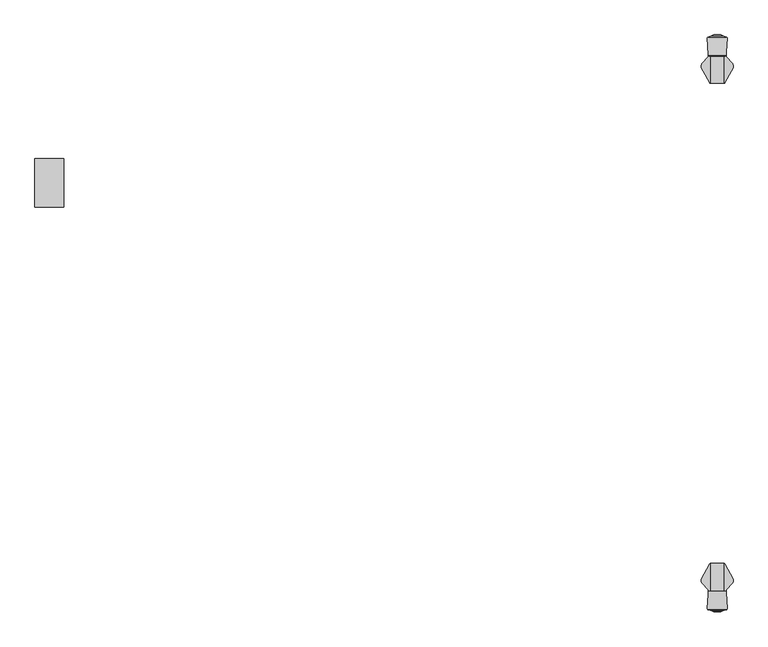
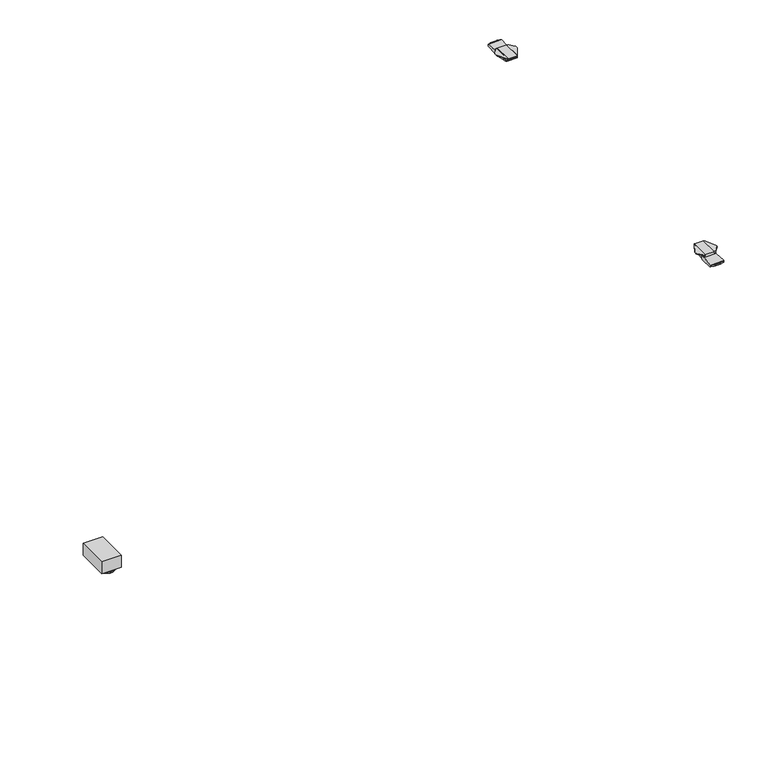
"""IFC4 building model written with IfcOpenShell, lengths in millimetres: furniture geometry."""

from ifc_helpers import new_model, si_unit, frame, origin, place, context, project, spatial, polyline, circle_curve, ellipse_curve, outline, extrude, faceted_brep, source, transform, mapped, element, save
from ifc_brep_helpers import plane_surface, cylinder_surface, revolved_surface, advanced_brep


def furniture_eabc772a(model_context):
    return source(origin(), model_context, "Body", "SolidModel", [
        advanced_brep(
        [(694.2716303, 895.5866978, 1037.209), (694.2716303, 895.5866978, 1029.9601819), (695.39314, 895.5866978, 1029.8867914), (695.39314, 895.5866978, 1037.209), (698.5769907, 951.0598352, 1033.5228106), (698.4269327, 951.0598352, 1031.2297138), (698.0475602, 951.0598352, 1029.7130886), (694.2716303, 951.0598352, 1029.9601819), (694.2716303, 951.0598352, 1037.209), (698.9474919, 951.0598352, 1037.209), (698.9474919, 951.0598352, 1033.8693631), (712.6491023, 927.1377656, 1037.209), (712.6491023, 932.3231849, 1037.209), (710.7410121, 935.9117807, 1037.209), (698.9474919, 949.1101381, 1037.209), (712.3709943, 926.6292686, 1036.2591307), (712.3709943, 933.2370102, 1036.2591307), (711.780042, 925.5487623, 1035.4654291), (711.780042, 934.4944593, 1035.4654291), (710.9026246, 923.9444789, 1034.9271625), (710.9026246, 935.7295944, 1034.9271625), (708.069876, 918.7650376, 1034.7095886), (708.069876, 938.9011009, 1034.7095886), (710.7410121, 935.9117807, 1034.9147496), (699.84516, 903.72684, 1034.7090072), (699.84516, 948.1055403, 1034.7090072), (698.5769907, 901.4080996, 1033.5228106), (698.9474919, 949.1101381, 1033.8693631), (698.4269327, 901.1337312, 1031.2297138), (698.0475602, 900.4400807, 1029.7130886)],
        [
            (0, 1),
            (1, 2),
            (2, 3),
            (3, 0),
            (4, 5),
            (5, 6),
            (6, 7),
            (7, 8),
            (8, 9),
            (9, 10),
            (10, 4),
            (8, 0),
            (3, 11),
            (11, 12),
            (12, 13, circle_curve(frame((704.7223863, 930.4100479, 1037.209), z_axis=(0.0, 0.0, 1.0), x_axis=(-1.0000000000000004, 0.0, 0.0)), 8.1543192)),
            (13, 14),
            (14, 9),
            (11, 15),
            (15, 16),
            (16, 12, ellipse_curve(frame((704.7223863, 930.4100479, 1010.1355466), z_axis=(0.9597108497777287, 0.0, -0.28098947456961787), x_axis=(-0.28098947456961787, 0.0, -0.9597108497777287)), 29.0200165, 8.1543192)),
            (15, 17),
            (17, 18),
            (18, 16, ellipse_curve(frame((704.7223863, 930.4100479, 1025.9863691), z_axis=(0.8020925083963487, 0.0, -0.5971998057387943), x_axis=(-0.5971998057387944, 0.0, -0.8020925083963485)), 13.6542563, 8.1543192)),
            (17, 19),
            (19, 20),
            (20, 18, ellipse_curve(frame((704.7223863, 930.4100479, 1031.1357905), z_axis=(0.5229113139159308, 0.0, -0.8523870938597763), x_axis=(-0.8523870938597765, 0.0, -0.5229113139159306)), 9.5664508, 8.1543192)),
            (19, 21),
            (21, 22),
            (22, 23),
            (23, 20, ellipse_curve(frame((704.7223863, 930.4100479, 1034.4524791), z_axis=(0.07658109560408619, 0.0, -0.9970633559589269), x_axis=(-0.9970633559589269, 0.0, -0.07658109560408602)), 8.178336, 8.1543192)),
            (21, 24),
            (24, 25),
            (25, 22),
            (26, 4),
            (10, 27),
            (27, 25),
            (24, 26),
            (26, 28),
            (28, 5),
            (28, 29),
            (29, 6),
            (29, 2),
            (1, 7),
            (27, 14),
            (13, 23),
        ],
        [
            plane_surface(frame((694.2716303, 895.5866978, 1029.7916475), z_axis=(0.0, -1.0, 0.0), x_axis=(0.0, 0.0, -1.0))),
            plane_surface(frame((694.2716303, 951.0598352, 1029.7916475), z_axis=(0.0, 1.0, 0.0), x_axis=(0.0, 0.0, 1.0))),
            plane_surface(frame((712.6491023, 895.5866978, 1037.209), z_axis=(0.0, 0.0, 1.0), x_axis=(0.0, 1.0, 0.0))),
            plane_surface(frame((712.3709943, 895.5866978, 1036.2591307), z_axis=(0.9597108497777287, 0.0, -0.28098947456961787), x_axis=(0.0, 1.0, 0.0))),
            plane_surface(frame((711.780042, 895.5866978, 1035.4654291), z_axis=(0.8020925083963485, 0.0, -0.5971998057387942), x_axis=(0.0, 1.0, 0.0))),
            plane_surface(frame((710.9026246, 895.5866978, 1034.9271625), z_axis=(0.5229113139159308, 0.0, -0.8523870938597763), x_axis=(0.0, 1.0, 0.0))),
            plane_surface(frame((708.069876, 895.5866978, 1034.7095886), z_axis=(0.07658109560408619, 0.0, -0.9970633559589269), x_axis=(0.0, 1.0, 0.0))),
            plane_surface(frame((699.84516, 895.5866978, 1034.7090072), z_axis=(7.068449081192282e-05, 0.0, -0.9999999975018514), x_axis=(0.0, 1.0, 0.0))),
            plane_surface(frame((698.5769907, 895.5866978, 1033.5228106), z_axis=(0.6831094450823832, 0.0, -0.7303160179259652), x_axis=(0.0, 1.0, 0.0))),
            plane_surface(frame((698.4269327, 895.5866978, 1031.2297138), z_axis=(0.9978657180161974, 0.0, -0.06529937831265216), x_axis=(0.0, 1.0, 0.0))),
            plane_surface(frame((698.0475602, 895.5866978, 1029.7130886), z_axis=(0.9701099565798296, 0.0, -0.24266576220118338), x_axis=(0.0, 1.0, 0.0))),
            plane_surface(frame((694.2716303, 895.5866978, 1029.9601819), z_axis=(-0.0652993783126831, 0.0, -0.9978657180161954), x_axis=(0.0, 1.0, 0.0))),
            plane_surface(frame((694.2716303, 895.5866978, 1037.209), z_axis=(-1.0, 0.0, 0.0), x_axis=(0.0, 1.0, 0.0))),
            plane_surface(frame((713.0084451, 927.7947936, 1067.1304045), z_axis=(0.8773539056662267, -0.4798438539902514, 0.0), x_axis=(0.0, 0.0, -1.0))),
            plane_surface(frame((698.9474919, 949.1101381, 1044.0028547), z_axis=(0.7456773398656481, 0.666307215037396, 0.0), x_axis=(0.0, 0.0, -1.0))),
            plane_surface(frame((698.9474919, 952.2864644, 1044.0028547), z_axis=(1.0, 0.0, 0.0), x_axis=(0.0, 0.0, -1.0))),
            cylinder_surface(frame((704.7223863, 930.4100479, 344.6554878), z_axis=(0.0, 0.0, -1.0), x_axis=(-1.0000000000000004, 0.0, 0.0)), 8.1543192),
        ],
        [
            (0, [[1, 2, 3, 4]]),
            (1, [[5, 6, 7, 8, 9, 10, 11]]),
            (2, [[12, -4, 13, 14, 15, 16, 17, -9]]),
            (3, [[18, 19, 20, -14]]),
            (4, [[21, 22, 23, -19]]),
            (5, [[24, 25, 26, -22]]),
            (6, [[27, 28, 29, 30, -25]]),
            (7, [[31, 32, 33, -28]]),
            (8, [[34, -11, 35, 36, -32, 37]]),
            (9, [[-5, -34, 38, 39]]),
            (10, [[-6, -39, 40, 41]]),
            (11, [[-7, -41, 42, -2, 43]]),
            (12, [[-1, -12, -8, -43]]),
            (13, [[-3, -42, -40, -38, -37, -31, -27, -24, -21, -18, -13]]),
            (14, [[44, -16, 45, -29, -33, -36]]),
            (15, [[-44, -35, -10, -17]]),
            (16, [[-15, -20, -23, -26, -30, -45]]),
        ],
    ),
        advanced_brep(
        [(665.6951697, 895.5866978, 1029.9601819), (665.6951697, 895.5866978, 1037.209), (664.57366, 895.5866978, 1037.209), (664.57366, 895.5866978, 1029.8867914), (665.6951697, 951.0598352, 1037.209), (665.6951697, 951.0598352, 1029.9601819), (661.9192398, 951.0598352, 1029.7130886), (661.5398673, 951.0598352, 1031.2297138), (661.3898093, 951.0598352, 1033.5228106), (661.0193081, 951.0598352, 1033.8693631), (661.0193081, 951.0598352, 1037.209), (661.0193081, 949.1101381, 1037.209), (649.2257879, 935.9117807, 1037.209), (647.3176977, 932.3231849, 1037.209), (647.3176977, 927.1377656, 1037.209), (647.5958057, 926.6292686, 1036.2591307), (647.5958057, 933.2370102, 1036.2591307), (648.186758, 925.5487623, 1035.4654291), (648.186758, 934.4944593, 1035.4654291), (649.0641754, 923.9444789, 1034.9271625), (649.0641754, 935.7295944, 1034.9271625), (651.896924, 918.7650376, 1034.7095886), (649.2257879, 935.9117807, 1034.9147496), (651.896924, 938.9011009, 1034.7095886), (660.12164, 903.72684, 1034.7090072), (660.12164, 948.1055403, 1034.7090072), (661.3898093, 901.4080996, 1033.5228106), (661.0193081, 949.1101381, 1033.8693631), (661.5398673, 901.1337312, 1031.2297138), (661.9192398, 900.4400807, 1029.7130886)],
        [
            (0, 1),
            (1, 2),
            (2, 3),
            (3, 0),
            (4, 5),
            (5, 6),
            (6, 7),
            (7, 8),
            (8, 9),
            (9, 10),
            (10, 4),
            (1, 4),
            (10, 11),
            (11, 12),
            (12, 13, circle_curve(frame((655.2444137, 930.4100479, 1037.209), z_axis=(0.0, 0.0, 1.0), x_axis=(1.0000000000000004, 0.0, 0.0)), 8.1543192)),
            (13, 14),
            (14, 2),
            (15, 14),
            (13, 16, ellipse_curve(frame((655.2444137, 930.4100479, 1010.1355466), z_axis=(-0.9597108497777287, 0.0, -0.28098947456961787), x_axis=(0.28098947456961787, 0.0, -0.9597108497777287)), 29.0200165, 8.1543192)),
            (16, 15),
            (17, 15),
            (16, 18, ellipse_curve(frame((655.2444137, 930.4100479, 1025.9863691), z_axis=(-0.8020925083963487, 0.0, -0.5971998057387943), x_axis=(0.5971998057387944, 0.0, -0.8020925083963485)), 13.6542563, 8.1543192)),
            (18, 17),
            (19, 17),
            (18, 20, ellipse_curve(frame((655.2444137, 930.4100479, 1031.1357905), z_axis=(-0.5229113139159308, 0.0, -0.8523870938597763), x_axis=(0.8523870938597765, 0.0, -0.5229113139159306)), 9.5664508, 8.1543192)),
            (20, 19),
            (21, 19),
            (20, 22, ellipse_curve(frame((655.2444137, 930.4100479, 1034.4524791), z_axis=(-0.07658109560408913, 0.0, -0.9970633559589267), x_axis=(0.9970633559589267, 0.0, -0.07658109560408889)), 8.178336, 8.1543192)),
            (22, 23),
            (23, 21),
            (24, 21),
            (23, 25),
            (25, 24),
            (8, 26),
            (26, 24),
            (25, 27),
            (27, 9),
            (7, 28),
            (28, 26),
            (6, 29),
            (29, 28),
            (5, 0),
            (3, 29),
            (11, 27),
            (22, 12),
        ],
        [
            plane_surface(frame((663.6596355, 895.5866978, 1037.209), z_axis=(0.0, -1.0, 0.0), x_axis=(-1.0, 0.0, 0.0))),
            plane_surface(frame((663.6596355, 951.0598352, 1037.209), z_axis=(0.0, 1.0, 0.0), x_axis=(1.0, 0.0, 0.0))),
            plane_surface(frame((665.6951697, 895.5866978, 1037.209), z_axis=(0.0, 0.0, 1.0), x_axis=(0.0, 1.0, 0.0))),
            plane_surface(frame((647.3176977, 895.5866978, 1037.209), z_axis=(-0.9597108497777287, 0.0, -0.28098947456961787), x_axis=(0.0, 1.0, 0.0))),
            plane_surface(frame((647.5958057, 895.5866978, 1036.2591307), z_axis=(-0.8020925083963485, 0.0, -0.5971998057387942), x_axis=(0.0, 1.0, 0.0))),
            plane_surface(frame((648.186758, 895.5866978, 1035.4654291), z_axis=(-0.5229113139159308, 0.0, -0.8523870938597763), x_axis=(0.0, 1.0, 0.0))),
            plane_surface(frame((649.0641754, 895.5866978, 1034.9271625), z_axis=(-0.07658109560408913, 0.0, -0.9970633559589267), x_axis=(0.0, 1.0, 0.0))),
            plane_surface(frame((651.896924, 895.5866978, 1034.7095886), z_axis=(-7.068449081192188e-05, 0.0, -0.9999999975018514), x_axis=(0.0, 1.0, 0.0))),
            plane_surface(frame((660.12164, 895.5866978, 1034.7090072), z_axis=(-0.683109445082383, 0.0, -0.7303160179259655), x_axis=(0.0, 1.0, 0.0))),
            plane_surface(frame((661.3898093, 895.5866978, 1033.5228106), z_axis=(-0.9978657180161974, 0.0, -0.06529937831265216), x_axis=(0.0, 1.0, 0.0))),
            plane_surface(frame((661.5398673, 895.5866978, 1031.2297138), z_axis=(-0.9701099565798296, 0.0, -0.24266576220118338), x_axis=(0.0, 1.0, 0.0))),
            plane_surface(frame((661.9192398, 895.5866978, 1029.7130886), z_axis=(0.06529937831268308, 0.0, -0.9978657180161954), x_axis=(0.0, 1.0, 0.0))),
            plane_surface(frame((665.6951697, 895.5866978, 1029.9601819), z_axis=(1.0, 0.0, 0.0), x_axis=(0.0, 1.0, 0.0))),
            plane_surface(frame((664.57366, 895.5866978, 1067.1304045), z_axis=(-0.8773539056662298, -0.47984385399024576, 0.0), x_axis=(0.0, 0.0, -1.0))),
            plane_surface(frame((649.2257879, 935.9117807, 1044.0028547), z_axis=(-0.7456773398656439, 0.6663072150374009, 0.0), x_axis=(0.0, 0.0, -1.0))),
            plane_surface(frame((661.0193081, 949.1101381, 1044.0028547), z_axis=(-1.0, 0.0, 0.0), x_axis=(0.0, 0.0, -1.0))),
            cylinder_surface(frame((655.2444137, 930.4100479, 344.6554878), z_axis=(0.0, 0.0, -1.0), x_axis=(1.0000000000000004, 0.0, 0.0)), 8.1543192),
        ],
        [
            (0, [[1, 2, 3, 4]]),
            (1, [[5, 6, 7, 8, 9, 10, 11]]),
            (2, [[12, -11, 13, 14, 15, 16, 17, -2]]),
            (3, [[18, -16, 19, 20]]),
            (4, [[21, -20, 22, 23]]),
            (5, [[24, -23, 25, 26]]),
            (6, [[27, -26, 28, 29, 30]]),
            (7, [[31, -30, 32, 33]]),
            (8, [[34, 35, -33, 36, 37, -9]]),
            (9, [[-8, 38, 39, -34]]),
            (10, [[-7, 40, 41, -38]]),
            (11, [[-6, 42, -4, 43, -40]]),
            (12, [[-1, -42, -5, -12]]),
            (13, [[-3, -17, -18, -21, -24, -27, -31, -35, -39, -41, -43]]),
            (14, [[44, -36, -32, -29, 45, -14]]),
            (15, [[-44, -13, -10, -37]]),
            (16, [[-15, -45, -28, -25, -22, -19]]),
        ],
    ),
        advanced_brep(
        [(696.4730548, 932.0459186, 1017.7130243), (696.4730548, 935.9201371, 1016.9270984), (696.4730548, 938.0493676, 1016.6538593), (696.4730548, 940.0206499, 1016.5113535), (696.4730548, 942.0531203, 1016.5263235), (696.4730548, 944.093003, 1016.7748548), (696.4730548, 951.7566704, 1029.7916475), (696.4730548, 950.9081394, 1037.209), (696.4730548, 915.1454668, 1037.209), (696.4730548, 915.1454668, 1021.7486428), (663.6596355, 950.9081394, 1037.209), (663.6596355, 951.7566704, 1029.7916475), (663.6596355, 944.093003, 1016.7748548), (663.6596355, 942.0531203, 1016.5263235), (663.6596355, 940.0206499, 1016.5113535), (663.6596355, 938.0493676, 1016.6538593), (663.6596355, 935.9201371, 1016.9270984), (663.6596355, 932.0459186, 1017.7130243), (663.6596355, 916.2494731, 1021.4850198), (663.6596355, 916.2494731, 1037.209), (664.5984869, 895.8807697, 1037.209), (666.2854026, 894.5538757, 1037.209), (693.8981745, 894.5538757, 1037.209), (695.5850902, 895.8807697, 1037.209), (665.4172874, 894.7871827, 1033.8727211), (694.7662898, 894.7871827, 1033.8727211), (665.0756904, 895.0456335, 1032.277615), (695.1078867, 895.0456335, 1032.277615), (664.7245261, 895.5310326, 1030.7540161), (695.459051, 895.5310326, 1030.7540161), (664.5984869, 895.8807697, 1030.0612029), (664.5818954, 896.2407277, 1029.3481426), (695.6016817, 896.2407277, 1029.3481426), (695.5850902, 895.8807697, 1030.0612029), (664.5401196, 897.1470677, 1028.0897165), (695.6434575, 897.1470677, 1028.0897165), (664.4880925, 898.2758142, 1026.9530853), (695.6954846, 898.2758142, 1026.9530853), (664.363775, 900.9729243, 1025.2864719), (695.8198021, 900.9729243, 1025.2864719), (664.2931427, 902.5053162, 1024.7669542), (695.8904344, 902.5053162, 1024.7669542)],
        [
            (0, 1),
            (1, 2),
            (2, 3),
            (3, 4),
            (4, 5),
            (5, 6),
            (6, 7),
            (7, 8),
            (8, 9),
            (9, 0),
            (10, 11),
            (11, 12),
            (12, 13),
            (13, 14),
            (14, 15),
            (15, 16),
            (16, 17),
            (17, 18),
            (18, 19),
            (19, 10),
            (7, 10),
            (19, 20),
            (20, 21, circle_curve(frame((666.2870408, 896.2917158, 1037.209), z_axis=(0.0, 0.0, 1.0), x_axis=(1.0000000000000004, 0.0, 0.0)), 1.7378408)),
            (21, 22),
            (22, 23, circle_curve(frame((693.8965364, 896.2917158, 1037.209), z_axis=(0.0, 0.0, 1.0), x_axis=(-1.0000000000000004, 0.0, 0.0)), 1.7378408)),
            (23, 8),
            (21, 24, ellipse_curve(frame((666.2870408, 896.2917158, 1012.3579681), z_axis=(0.0, -0.997563808233696, -0.06975993479273002), x_axis=(0.0, 0.06975993479273002, -0.997563808233696)), 24.9117327, 1.7378408)),
            (24, 25),
            (25, 22, ellipse_curve(frame((693.8965364, 896.2917158, 1012.3579681), z_axis=(0.0, -0.997563808233696, -0.06975993479273002), x_axis=(0.0, 0.06975993479273002, -0.997563808233696)), 24.9117327, 1.7378408)),
            (24, 26, ellipse_curve(frame((666.2870408, 896.2917158, 1024.5870466), z_axis=(0.0, -0.9871264986508672, -0.15994147573809486), x_axis=(0.0, 0.15994147573809486, -0.9871264986508672)), 10.8654796, 1.7378408)),
            (26, 27),
            (27, 25, ellipse_curve(frame((693.8965364, 896.2917158, 1024.5870466), z_axis=(0.0, -0.9871264986508672, -0.15994147573809486), x_axis=(0.0, 0.15994147573809486, -0.9871264986508672)), 10.8654796, 1.7378408)),
            (26, 28, ellipse_curve(frame((666.2870408, 896.2917158, 1028.3663399), z_axis=(0.0, -0.9528141049574114, -0.3035544125757477), x_axis=(0.0, 0.3035544125757477, -0.9528141049574111)), 5.7249731, 1.7378408)),
            (28, 29),
            (29, 27, ellipse_curve(frame((693.8965364, 896.2917158, 1028.3663399), z_axis=(0.0, -0.9528141049574114, -0.3035544125757477), x_axis=(0.0, 0.3035544125757477, -0.9528141049574111)), 5.7249731, 1.7378408)),
            (30, 31),
            (31, 32),
            (32, 33),
            (33, 29, ellipse_curve(frame((693.8965364, 896.2917158, 1029.2471375), z_axis=(0.0, -0.8927040411549354, -0.45064342323576334), x_axis=(0.0, 0.45064342323576334, -0.8927040411549354)), 3.8563546, 1.7378408)),
            (28, 30, ellipse_curve(frame((666.2870408, 896.2917158, 1029.2471375), z_axis=(0.0, -0.8927040411549354, -0.45064342323576334), x_axis=(0.0, 0.45064342323576334, -0.8927040411549354)), 3.8563546, 1.7378408)),
            (31, 34),
            (34, 35),
            (35, 32),
            (34, 36),
            (36, 37),
            (37, 35),
            (36, 38),
            (38, 39),
            (39, 37),
            (38, 40),
            (40, 41),
            (41, 39),
            (17, 0),
            (9, 41),
            (40, 18),
            (16, 1),
            (15, 2),
            (14, 3),
            (13, 4),
            (12, 5),
            (11, 6),
            (30, 20),
            (23, 33),
        ],
        [
            plane_surface(frame((696.4730548, 936.3711996, 1037.209), z_axis=(1.0, 0.0, 0.0), x_axis=(0.0, -1.0, 0.0))),
            plane_surface(frame((663.6596355, 936.3711996, 1037.209), z_axis=(-1.0, 0.0, 0.0), x_axis=(0.0, 1.0, 0.0))),
            plane_surface(frame((696.4730548, 950.9081394, 1037.209), z_axis=(0.0, 0.0, 1.0), x_axis=(-1.0, 0.0, 0.0))),
            plane_surface(frame((696.4730548, 894.5538757, 1037.209), z_axis=(0.0, -0.997563808233696, -0.06975993479273002), x_axis=(-1.0, 0.0, 0.0))),
            plane_surface(frame((696.4730548, 894.7871827, 1033.8727211), z_axis=(0.0, -0.9871264986508672, -0.15994147573809486), x_axis=(-1.0, 0.0, 0.0))),
            plane_surface(frame((696.4730548, 895.0456335, 1032.277615), z_axis=(0.0, -0.9528141049574114, -0.3035544125757477), x_axis=(-1.0, 0.0, 0.0))),
            plane_surface(frame((696.4730548, 895.5310326, 1030.7540161), z_axis=(0.0, -0.8927040411549354, -0.45064342323576334), x_axis=(-1.0, 0.0, 0.0))),
            plane_surface(frame((696.4730548, 896.2407277, 1029.3481426), z_axis=(0.0, -0.8114507875380343, -0.5844207554526992), x_axis=(-1.0, 0.0, 0.0))),
            plane_surface(frame((696.4730548, 897.1470677, 1028.0897165), z_axis=(0.0, -0.7095635828811538, -0.704641413662907), x_axis=(-1.0, 0.0, 0.0))),
            plane_surface(frame((696.4730548, 898.2758142, 1026.9530853), z_axis=(0.0, -0.5256643953018257, -0.8506920379972802), x_axis=(-1.0, 0.0, 0.0))),
            plane_surface(frame((696.4730548, 900.9729243, 1025.2864719), z_axis=(0.0, -0.32107410172322687, -0.9470540751206464), x_axis=(-1.0, 0.0, 0.0))),
            plane_surface(frame((696.4730548, 902.5053162, 1024.7669542), z_axis=(0.0, -0.23225778917580214, -0.9726542650742702), x_axis=(-1.0, 0.0, 0.0))),
            plane_surface(frame((696.4730548, 932.0459186, 1017.7130243), z_axis=(0.0, -0.1988109622365402, -0.9800378570721546), x_axis=(-1.0, 0.0, 0.0))),
            plane_surface(frame((696.4730548, 935.9201371, 1016.9270984), z_axis=(0.0, -0.12728387031952282, -0.9918663298834591), x_axis=(-1.0, 0.0, 0.0))),
            plane_surface(frame((696.4730548, 938.0493676, 1016.6538593), z_axis=(0.0, -0.07210277493300893, -0.997397207659496), x_axis=(-1.0, 0.0, 0.0))),
            plane_surface(frame((696.4730548, 940.0206499, 1016.5113535), z_axis=(0.0, 0.007365229187275849, -0.9999728763316628), x_axis=(-1.0, 0.0, 0.0))),
            plane_surface(frame((696.4730548, 942.0531203, 1016.5263235), z_axis=(0.0, 0.12094176610084176, -0.992659603898743), x_axis=(-1.0, 0.0, 0.0))),
            plane_surface(frame((696.4730548, 944.093003, 1016.7748548), z_axis=(0.0, 0.8617394273144984, -0.5073511204399574), x_axis=(-1.0, 0.0, 0.0))),
            plane_surface(frame((696.4730548, 951.7566704, 1029.7916475), z_axis=(0.0, 0.9935200698495489, 0.11365681152551964), x_axis=(-1.0, 0.0, 0.0))),
            plane_surface(frame((664.5984869, 895.8807697, 1050.6978518), z_axis=(-0.9989394147117107, -0.04604395438518504, 0.0), x_axis=(0.0, 0.0, -1.0))),
            cylinder_surface(frame((666.2870408, 896.2917158, 1007.8853687), z_axis=(0.0, 0.0, -1.0), x_axis=(1.0000000000000004, 0.0, 0.0)), 1.7378408),
            plane_surface(frame((698.2643373, 954.007956, 1050.6978518), z_axis=(0.9989394147117103, -0.04604395438519144, 0.0), x_axis=(0.0, 0.0, -1.0))),
            cylinder_surface(frame((693.8965364, 896.2917158, 1007.8853687), z_axis=(0.0, 0.0, -1.0), x_axis=(-1.0000000000000004, 0.0, 0.0)), 1.7378408),
        ],
        [
            (0, [[1, 2, 3, 4, 5, 6, 7, 8, 9, 10]]),
            (1, [[11, 12, 13, 14, 15, 16, 17, 18, 19, 20]]),
            (2, [[21, -20, 22, 23, 24, 25, 26, -8]]),
            (3, [[27, 28, 29, -24]]),
            (4, [[30, 31, 32, -28]]),
            (5, [[33, 34, 35, -31]]),
            (6, [[36, 37, 38, 39, -34, 40]]),
            (7, [[41, 42, 43, -37]]),
            (8, [[44, 45, 46, -42]]),
            (9, [[47, 48, 49, -45]]),
            (10, [[50, 51, 52, -48]]),
            (11, [[53, -10, 54, -51, 55, -18]]),
            (12, [[-1, -53, -17, 56]]),
            (13, [[-2, -56, -16, 57]]),
            (14, [[-3, -57, -15, 58]]),
            (15, [[-4, -58, -14, 59]]),
            (16, [[-5, -59, -13, 60]]),
            (17, [[-6, -60, -12, 61]]),
            (18, [[-7, -61, -11, -21]]),
            (19, [[62, -22, -19, -55, -50, -47, -44, -41, -36]]),
            (20, [[-62, -40, -33, -30, -27, -23]]),
            (21, [[63, -38, -43, -46, -49, -52, -54, -9, -26]]),
            (22, [[-63, -25, -29, -32, -35, -39]]),
        ],
    ),
        faceted_brep([(697.702853, 940.8517947, 1029.223888), (697.8991853, 943.7883029, 1030.0697046), (662.3902926, 943.7883029, 1030.0697046), (662.5256446, 940.8517947, 1029.223888), (697.5582268, 938.6886454, 1027.3301699), (662.6253503, 938.6886454, 1027.3301699), (697.4902276, 937.6715927, 1025.0631571), (662.6722292, 937.6715927, 1025.0631571), (697.4754232, 937.4501672, 1023.7281368), (662.6824353, 937.4501672, 1023.7281368), (697.4786858, 937.4989651, 1022.446311), (662.6801861, 937.4989651, 1022.446311), (697.4941461, 937.730201, 1021.1650665), (662.6695278, 937.730201, 1021.1650665), (697.5554161, 938.6466058, 1019.326952), (662.6272881, 938.6466058, 1019.326952), (697.6721014, 940.3918481, 1017.6682596), (662.5468449, 940.3918481, 1017.6682596), (697.8503142, 943.0573468, 1016.6432495), (662.4239845, 943.0573468, 1016.6432495), (697.942014, 944.4288837, 1016.5717422), (662.3607664, 944.4288837, 1016.5717422), (700.8574178, 988.0340709, 1023.2389952), (661.9192398, 954.007956, 1018.0363867), (661.3843378, 954.007956, 1018.0363867), (659.1093822, 988.0340709, 1023.2389952), (700.9007984, 988.6829078, 1023.3389153), (659.0660016, 988.6829078, 1023.3389153), (660.488696, 989.7505722, 1023.5033343), (663.8829944, 990.9998783, 1023.695726), (696.0838056, 990.9998783, 1023.695726), (699.478104, 989.7505722, 1023.5033343), (690.8085902, 992.9414749, 1023.9930916), (669.1582098, 992.9414749, 1023.9930916), (686.5324238, 994.5153613, 1025.1280514), (673.4343762, 994.5153613, 1025.1280514), (686.9042042, 994.3785238, 1027.4254402), (673.0625958, 994.3785238, 1027.4254402), (691.3232509, 992.7520488, 1028.3600857), (668.6435491, 992.7520488, 1028.3600857), (698.7207222, 990.0293343, 1028.4561186), (661.2460778, 990.0293343, 1028.4561186), (700.9007984, 988.6829078, 1028.5031023), (699.478104, 989.7505722, 1028.465846), (660.488696, 989.7505722, 1028.465846), (659.0660016, 988.6829078, 1028.5031023), (661.3843378, 954.007956, 1029.7130886), (661.9192398, 954.007956, 1029.7130886)], [[[0, 1, 2, 3]], [[4, 0, 3, 5]], [[6, 4, 5, 7]], [[8, 6, 7, 9]], [[10, 8, 9, 11]], [[12, 10, 11, 13]], [[14, 12, 13, 15]], [[16, 14, 15, 17]], [[18, 16, 17, 19]], [[20, 18, 19, 21]], [[22, 20, 21, 23, 24, 25]], [[26, 22, 25, 27, 28, 29, 30, 31]], [[32, 30, 29, 33]], [[34, 32, 33, 35]], [[36, 34, 35, 37]], [[38, 36, 37, 39]], [[40, 38, 39, 41]], [[1, 42, 43, 40, 41, 44, 45, 46, 47, 2]], [[26, 42, 1, 0, 4, 6, 8, 10, 12, 14, 16, 18, 20, 22]], [[43, 31, 30, 32, 34, 36, 38, 40]], [[42, 26, 31, 43]], [[47, 23, 21, 19, 17, 15, 13, 11, 9, 7, 5, 3, 2]], [[23, 47, 46, 24]], [[45, 27, 25, 24, 46]], [[28, 44, 41, 39, 37, 35, 33, 29]], [[44, 28, 27, 45]]]),
        advanced_brep(
        [(665.6951697, -97.0614979, 1037.209), (665.6951697, -97.0614979, 1029.9601819), (664.57366, -97.0614979, 1029.8867914), (664.57366, -97.0614979, 1037.209), (661.3898093, -152.5346353, 1033.5228106), (661.5398673, -152.5346353, 1031.2297138), (661.9192398, -152.5346353, 1029.7130886), (665.6951697, -152.5346353, 1029.9601819), (665.6951697, -152.5346353, 1037.209), (661.0193081, -152.5346353, 1037.209), (661.0193081, -152.5346353, 1033.8693631), (647.3176977, -128.6125657, 1037.209), (647.3176977, -133.797985, 1037.209), (649.2257879, -137.3865808, 1037.209), (661.0193081, -150.5849382, 1037.209), (647.5958057, -128.1040687, 1036.2591307), (647.5958057, -134.7118103, 1036.2591307), (648.186758, -127.0235624, 1035.4654291), (648.186758, -135.9692594, 1035.4654291), (649.0641754, -125.419279, 1034.9271625), (649.0641754, -137.2043945, 1034.9271625), (651.896924, -120.2398377, 1034.7095886), (651.896924, -140.375901, 1034.7095886), (649.2257879, -137.3865808, 1034.9147496), (660.12164, -105.2016401, 1034.7090072), (660.12164, -149.5803404, 1034.7090072), (661.3898093, -102.8828997, 1033.5228106), (661.0193081, -150.5849382, 1033.8693631), (661.5398673, -102.6085313, 1031.2297138), (661.9192398, -101.9148808, 1029.7130886)],
        [
            (0, 1),
            (1, 2),
            (2, 3),
            (3, 0),
            (4, 5),
            (5, 6),
            (6, 7),
            (7, 8),
            (8, 9),
            (9, 10),
            (10, 4),
            (8, 0),
            (3, 11),
            (11, 12),
            (12, 13, circle_curve(frame((655.2444137, -131.884848, 1037.209), z_axis=(0.0, 0.0, 1.0), x_axis=(1.0, 0.0, 0.0)), 8.1543192)),
            (13, 14),
            (14, 9),
            (11, 15),
            (15, 16),
            (16, 12, ellipse_curve(frame((655.2444137, -131.884848, 1010.1355466), z_axis=(-0.9597108497777287, 0.0, -0.28098947456961776), x_axis=(0.28098947456961776, 0.0, -0.9597108497777287)), 29.0200165, 8.1543192)),
            (15, 17),
            (17, 18),
            (18, 16, ellipse_curve(frame((655.2444137, -131.884848, 1025.9863691), z_axis=(-0.8020925083963487, 0.0, -0.597199805738794), x_axis=(0.5971998057387942, 0.0, -0.8020925083963487)), 13.6542563, 8.1543192)),
            (17, 19),
            (19, 20),
            (20, 18, ellipse_curve(frame((655.2444137, -131.884848, 1031.1357905), z_axis=(-0.5229113139159309, 0.0, -0.8523870938597762), x_axis=(0.8523870938597762, 0.0, -0.5229113139159307)), 9.5664508, 8.1543192)),
            (19, 21),
            (21, 22),
            (22, 23),
            (23, 20, ellipse_curve(frame((655.2444137, -131.884848, 1034.4524791), z_axis=(-0.07658109560408621, 0.0, -0.9970633559589269), x_axis=(0.9970633559589269, 0.0, -0.076581095604086)), 8.178336, 8.1543192)),
            (21, 24),
            (24, 25),
            (25, 22),
            (26, 4),
            (10, 27),
            (27, 25),
            (24, 26),
            (26, 28),
            (28, 5),
            (28, 29),
            (29, 6),
            (29, 2),
            (1, 7),
            (27, 14),
            (13, 23),
        ],
        [
            plane_surface(frame((665.6951697, -97.0614979, 1029.7916475), z_axis=(0.0, 1.0, 0.0), x_axis=(0.0, 0.0, -1.0))),
            plane_surface(frame((665.6951697, -152.5346353, 1029.7916475), z_axis=(0.0, -1.0, 0.0), x_axis=(0.0, 0.0, 1.0))),
            plane_surface(frame((647.3176977, -97.0614979, 1037.209), z_axis=(0.0, 0.0, 1.0), x_axis=(0.0, -1.0, 0.0))),
            plane_surface(frame((647.5958057, -97.0614979, 1036.2591307), z_axis=(-0.9597108497777287, 0.0, -0.28098947456961776), x_axis=(0.0, -1.0, 0.0))),
            plane_surface(frame((648.186758, -97.0614979, 1035.4654291), z_axis=(-0.8020925083963487, 0.0, -0.597199805738794), x_axis=(0.0, -1.0, 0.0))),
            plane_surface(frame((649.0641754, -97.0614979, 1034.9271625), z_axis=(-0.5229113139159309, 0.0, -0.8523870938597762), x_axis=(0.0, -1.0, 0.0))),
            plane_surface(frame((651.896924, -97.0614979, 1034.7095886), z_axis=(-0.07658109560408621, 0.0, -0.9970633559589269), x_axis=(0.0, -1.0, 0.0))),
            plane_surface(frame((660.12164, -97.0614979, 1034.7090072), z_axis=(-7.068449081192285e-05, 0.0, -0.9999999975018514), x_axis=(0.0, -1.0, 0.0))),
            plane_surface(frame((661.3898093, -97.0614979, 1033.5228106), z_axis=(-0.6831094450823834, 0.0, -0.730316017925965), x_axis=(0.0, -1.0, 0.0))),
            plane_surface(frame((661.5398673, -97.0614979, 1031.2297138), z_axis=(-0.9978657180161974, 0.0, -0.06529937831265213), x_axis=(0.0, -1.0, 0.0))),
            plane_surface(frame((661.9192398, -97.0614979, 1029.7130886), z_axis=(-0.9701099565798296, 0.0, -0.24266576220118327), x_axis=(0.0, -1.0, 0.0))),
            plane_surface(frame((665.6951697, -97.0614979, 1029.9601819), z_axis=(0.06529937831268313, 0.0, -0.9978657180161954), x_axis=(0.0, -1.0, 0.0))),
            plane_surface(frame((665.6951697, -97.0614979, 1037.209), z_axis=(1.0, 0.0, 0.0), x_axis=(0.0, -1.0, 0.0))),
            plane_surface(frame((646.9583549, -129.2695936, 1067.1304045), z_axis=(-0.8773539056662283, 0.4798438539902486, 0.0), x_axis=(0.0, 0.0, -1.0))),
            plane_surface(frame((661.0193081, -150.5849382, 1044.0028547), z_axis=(-0.745677339865646, -0.6663072150373984, 0.0), x_axis=(0.0, 0.0, -1.0))),
            plane_surface(frame((661.0193081, -153.7612645, 1044.0028547), z_axis=(-1.0, 0.0, 0.0), x_axis=(0.0, 0.0, -1.0))),
            cylinder_surface(frame((655.2444137, -131.884848, 344.6554878), z_axis=(0.0, 0.0, -1.0), x_axis=(1.0, 0.0, 0.0)), 8.1543192),
        ],
        [
            (0, [[1, 2, 3, 4]]),
            (1, [[5, 6, 7, 8, 9, 10, 11]]),
            (2, [[12, -4, 13, 14, 15, 16, 17, -9]]),
            (3, [[18, 19, 20, -14]]),
            (4, [[21, 22, 23, -19]]),
            (5, [[24, 25, 26, -22]]),
            (6, [[27, 28, 29, 30, -25]]),
            (7, [[31, 32, 33, -28]]),
            (8, [[34, -11, 35, 36, -32, 37]]),
            (9, [[-5, -34, 38, 39]]),
            (10, [[-6, -39, 40, 41]]),
            (11, [[-7, -41, 42, -2, 43]]),
            (12, [[-1, -12, -8, -43]]),
            (13, [[-3, -42, -40, -38, -37, -31, -27, -24, -21, -18, -13]]),
            (14, [[44, -16, 45, -29, -33, -36]]),
            (15, [[-44, -35, -10, -17]]),
            (16, [[-15, -20, -23, -26, -30, -45]]),
        ],
    ),
        advanced_brep(
        [(694.2716303, -97.0614979, 1029.9601819), (694.2716303, -97.0614979, 1037.209), (695.39314, -97.0614979, 1037.209), (695.39314, -97.0614979, 1029.8867914), (694.2716303, -152.5346353, 1037.209), (694.2716303, -152.5346353, 1029.9601819), (698.0475602, -152.5346353, 1029.7130886), (698.4269327, -152.5346353, 1031.2297138), (698.5769907, -152.5346353, 1033.5228106), (698.9474919, -152.5346353, 1033.8693631), (698.9474919, -152.5346353, 1037.209), (698.9474919, -150.5849382, 1037.209), (710.7410121, -137.3865808, 1037.209), (712.6491023, -133.797985, 1037.209), (712.6491023, -128.6125657, 1037.209), (712.3709943, -128.1040687, 1036.2591307), (712.3709943, -134.7118103, 1036.2591307), (711.780042, -127.0235624, 1035.4654291), (711.780042, -135.9692594, 1035.4654291), (710.9026246, -125.419279, 1034.9271625), (710.9026246, -137.2043945, 1034.9271625), (708.069876, -120.2398377, 1034.7095886), (710.7410121, -137.3865808, 1034.9147496), (708.069876, -140.375901, 1034.7095886), (699.84516, -105.2016401, 1034.7090072), (699.84516, -149.5803404, 1034.7090072), (698.5769907, -102.8828997, 1033.5228106), (698.9474919, -150.5849382, 1033.8693631), (698.4269327, -102.6085313, 1031.2297138), (698.0475602, -101.9148808, 1029.7130886)],
        [
            (0, 1),
            (1, 2),
            (2, 3),
            (3, 0),
            (4, 5),
            (5, 6),
            (6, 7),
            (7, 8),
            (8, 9),
            (9, 10),
            (10, 4),
            (1, 4),
            (10, 11),
            (11, 12),
            (12, 13, circle_curve(frame((704.7223863, -131.884848, 1037.209), z_axis=(0.0, 0.0, 1.0), x_axis=(-1.0, 0.0, 0.0)), 8.1543192)),
            (13, 14),
            (14, 2),
            (15, 14),
            (13, 16, ellipse_curve(frame((704.7223863, -131.884848, 1010.1355466), z_axis=(0.9597108497777287, 0.0, -0.28098947456961776), x_axis=(-0.28098947456961776, 0.0, -0.9597108497777287)), 29.0200165, 8.1543192)),
            (16, 15),
            (17, 15),
            (16, 18, ellipse_curve(frame((704.7223863, -131.884848, 1025.9863691), z_axis=(0.8020925083963487, 0.0, -0.597199805738794), x_axis=(-0.5971998057387942, 0.0, -0.8020925083963487)), 13.6542563, 8.1543192)),
            (18, 17),
            (19, 17),
            (18, 20, ellipse_curve(frame((704.7223863, -131.884848, 1031.1357905), z_axis=(0.5229113139159309, 0.0, -0.8523870938597762), x_axis=(-0.8523870938597762, 0.0, -0.5229113139159307)), 9.5664508, 8.1543192)),
            (20, 19),
            (21, 19),
            (20, 22, ellipse_curve(frame((704.7223863, -131.884848, 1034.4524791), z_axis=(0.07658109560408916, 0.0, -0.9970633559589267), x_axis=(-0.9970633559589266, 0.0, -0.07658109560408885)), 8.178336, 8.1543192)),
            (22, 23),
            (23, 21),
            (24, 21),
            (23, 25),
            (25, 24),
            (8, 26),
            (26, 24),
            (25, 27),
            (27, 9),
            (7, 28),
            (28, 26),
            (6, 29),
            (29, 28),
            (5, 0),
            (3, 29),
            (11, 27),
            (22, 12),
        ],
        [
            plane_surface(frame((696.3071645, -97.0614979, 1037.209), z_axis=(0.0, 1.0, 0.0), x_axis=(1.0, 0.0, 0.0))),
            plane_surface(frame((696.3071645, -152.5346353, 1037.209), z_axis=(0.0, -1.0, 0.0), x_axis=(-1.0, 0.0, 0.0))),
            plane_surface(frame((694.2716303, -97.0614979, 1037.209), z_axis=(0.0, 0.0, 1.0), x_axis=(0.0, -1.0, 0.0))),
            plane_surface(frame((712.6491023, -97.0614979, 1037.209), z_axis=(0.9597108497777287, 0.0, -0.28098947456961776), x_axis=(0.0, -1.0, 0.0))),
            plane_surface(frame((712.3709943, -97.0614979, 1036.2591307), z_axis=(0.8020925083963487, 0.0, -0.597199805738794), x_axis=(0.0, -1.0, 0.0))),
            plane_surface(frame((711.780042, -97.0614979, 1035.4654291), z_axis=(0.5229113139159309, 0.0, -0.8523870938597762), x_axis=(0.0, -1.0, 0.0))),
            plane_surface(frame((710.9026246, -97.0614979, 1034.9271625), z_axis=(0.07658109560408916, 0.0, -0.9970633559589267), x_axis=(0.0, -1.0, 0.0))),
            plane_surface(frame((708.069876, -97.0614979, 1034.7095886), z_axis=(7.068449081192191e-05, 0.0, -0.9999999975018514), x_axis=(0.0, -1.0, 0.0))),
            plane_surface(frame((699.84516, -97.0614979, 1034.7090072), z_axis=(0.6831094450823831, 0.0, -0.7303160179259652), x_axis=(0.0, -1.0, 0.0))),
            plane_surface(frame((698.5769907, -97.0614979, 1033.5228106), z_axis=(0.9978657180161974, 0.0, -0.06529937831265213), x_axis=(0.0, -1.0, 0.0))),
            plane_surface(frame((698.4269327, -97.0614979, 1031.2297138), z_axis=(0.9701099565798296, 0.0, -0.24266576220118327), x_axis=(0.0, -1.0, 0.0))),
            plane_surface(frame((698.0475602, -97.0614979, 1029.7130886), z_axis=(-0.0652993783126831, 0.0, -0.9978657180161954), x_axis=(0.0, -1.0, 0.0))),
            plane_surface(frame((694.2716303, -97.0614979, 1029.9601819), z_axis=(-1.0, 0.0, 0.0), x_axis=(0.0, -1.0, 0.0))),
            plane_surface(frame((695.39314, -97.0614979, 1067.1304045), z_axis=(0.8773539056662283, 0.4798438539902486, 0.0), x_axis=(0.0, 0.0, -1.0))),
            plane_surface(frame((710.7410121, -137.3865808, 1044.0028547), z_axis=(0.745677339865646, -0.6663072150373984, 0.0), x_axis=(0.0, 0.0, -1.0))),
            plane_surface(frame((698.9474919, -150.5849382, 1044.0028547), z_axis=(1.0, 0.0, 0.0), x_axis=(0.0, 0.0, -1.0))),
            cylinder_surface(frame((704.7223863, -131.884848, 344.6554878), z_axis=(0.0, 0.0, -1.0), x_axis=(-1.0, 0.0, 0.0)), 8.1543192),
        ],
        [
            (0, [[1, 2, 3, 4]]),
            (1, [[5, 6, 7, 8, 9, 10, 11]]),
            (2, [[12, -11, 13, 14, 15, 16, 17, -2]]),
            (3, [[18, -16, 19, 20]]),
            (4, [[21, -20, 22, 23]]),
            (5, [[24, -23, 25, 26]]),
            (6, [[27, -26, 28, 29, 30]]),
            (7, [[31, -30, 32, 33]]),
            (8, [[34, 35, -33, 36, 37, -9]]),
            (9, [[-8, 38, 39, -34]]),
            (10, [[-7, 40, 41, -38]]),
            (11, [[-6, 42, -4, 43, -40]]),
            (12, [[-1, -42, -5, -12]]),
            (13, [[-3, -17, -18, -21, -24, -27, -31, -35, -39, -41, -43]]),
            (14, [[44, -36, -32, -29, 45, -14]]),
            (15, [[-44, -13, -10, -37]]),
            (16, [[-15, -45, -28, -25, -22, -19]]),
        ],
    ),
        advanced_brep(
        [(663.4937452, -133.5207187, 1017.7130243), (663.4937452, -137.3949372, 1016.9270984), (663.4937452, -139.5241677, 1016.6538593), (663.4937452, -141.4954499, 1016.5113535), (663.4937452, -143.5279204, 1016.5263235), (663.4937452, -145.5678031, 1016.7748548), (663.4937452, -153.2314705, 1029.7916475), (663.4937452, -152.3829395, 1037.209), (663.4937452, -116.6202669, 1037.209), (663.4937452, -116.6202669, 1021.7486428), (696.3071645, -152.3829395, 1037.209), (696.3071645, -153.2314705, 1029.7916475), (696.3071645, -145.5678031, 1016.7748548), (696.3071645, -143.5279204, 1016.5263235), (696.3071645, -141.4954499, 1016.5113535), (696.3071645, -139.5241677, 1016.6538593), (696.3071645, -137.3949372, 1016.9270984), (696.3071645, -133.5207187, 1017.7130243), (696.3071645, -117.7242732, 1021.4850198), (696.3071645, -117.7242732, 1037.209), (695.3683131, -97.3555698, 1037.209), (693.6813974, -96.0286758, 1037.209), (666.0686255, -96.0286758, 1037.209), (664.3817098, -97.3555698, 1037.209), (694.5495126, -96.2619827, 1033.8727211), (665.2005102, -96.2619827, 1033.8727211), (694.8911096, -96.5204335, 1032.277615), (664.8589133, -96.5204335, 1032.277615), (695.2422739, -97.0058327, 1030.7540161), (664.507749, -97.0058327, 1030.7540161), (695.3683131, -97.3555698, 1030.0612029), (695.3849046, -97.7155277, 1029.3481426), (664.3651183, -97.7155277, 1029.3481426), (664.3817098, -97.3555698, 1030.0612029), (695.4266804, -98.6218678, 1028.0897165), (664.3233425, -98.6218678, 1028.0897165), (695.4787075, -99.7506143, 1026.9530853), (664.2713154, -99.7506143, 1026.9530853), (695.603025, -102.4477244, 1025.2864719), (664.1469979, -102.4477244, 1025.2864719), (695.6736573, -103.9801163, 1024.7669542), (664.0763656, -103.9801163, 1024.7669542)],
        [
            (0, 1),
            (1, 2),
            (2, 3),
            (3, 4),
            (4, 5),
            (5, 6),
            (6, 7),
            (7, 8),
            (8, 9),
            (9, 0),
            (10, 11),
            (11, 12),
            (12, 13),
            (13, 14),
            (14, 15),
            (15, 16),
            (16, 17),
            (17, 18),
            (18, 19),
            (19, 10),
            (7, 10),
            (19, 20),
            (20, 21, circle_curve(frame((693.6797592, -97.7665158, 1037.209), z_axis=(0.0, 0.0, 1.0), x_axis=(-1.0, 0.0, 0.0)), 1.7378408)),
            (21, 22),
            (22, 23, circle_curve(frame((666.0702636, -97.7665158, 1037.209), z_axis=(0.0, 0.0, 1.0), x_axis=(1.0, 0.0, 0.0)), 1.7378408)),
            (23, 8),
            (21, 24, ellipse_curve(frame((693.6797592, -97.7665158, 1012.3579681), z_axis=(0.0, 0.997563808233696, -0.06975993479272999), x_axis=(0.0, -0.06975993479272999, -0.997563808233696)), 24.9117327, 1.7378408)),
            (24, 25),
            (25, 22, ellipse_curve(frame((666.0702636, -97.7665158, 1012.3579681), z_axis=(0.0, 0.997563808233696, -0.06975993479272999), x_axis=(0.0, -0.06975993479272999, -0.997563808233696)), 24.9117327, 1.7378408)),
            (24, 26, ellipse_curve(frame((693.6797592, -97.7665158, 1024.5870466), z_axis=(0.0, 0.9871264986508672, -0.15994147573809478), x_axis=(0.0, -0.1599414757380948, -0.9871264986508672)), 10.8654796, 1.7378408)),
            (26, 27),
            (27, 25, ellipse_curve(frame((666.0702636, -97.7665158, 1024.5870466), z_axis=(0.0, 0.9871264986508672, -0.15994147573809478), x_axis=(0.0, -0.1599414757380948, -0.9871264986508672)), 10.8654796, 1.7378408)),
            (26, 28, ellipse_curve(frame((693.6797592, -97.7665158, 1028.3663399), z_axis=(0.0, 0.9528141049574114, -0.3035544125757476), x_axis=(0.0, -0.3035544125757476, -0.9528141049574113)), 5.7249731, 1.7378408)),
            (28, 29),
            (29, 27, ellipse_curve(frame((666.0702636, -97.7665158, 1028.3663399), z_axis=(0.0, 0.9528141049574114, -0.3035544125757476), x_axis=(0.0, -0.3035544125757476, -0.9528141049574113)), 5.7249731, 1.7378408)),
            (30, 31),
            (31, 32),
            (32, 33),
            (33, 29, ellipse_curve(frame((666.0702636, -97.7665158, 1029.2471375), z_axis=(0.0, 0.8927040411549356, -0.45064342323576323), x_axis=(0.0, -0.45064342323576323, -0.8927040411549354)), 3.8563546, 1.7378408)),
            (28, 30, ellipse_curve(frame((693.6797592, -97.7665158, 1029.2471375), z_axis=(0.0, 0.8927040411549356, -0.45064342323576323), x_axis=(0.0, -0.45064342323576323, -0.8927040411549354)), 3.8563546, 1.7378408)),
            (31, 34),
            (34, 35),
            (35, 32),
            (34, 36),
            (36, 37),
            (37, 35),
            (36, 38),
            (38, 39),
            (39, 37),
            (38, 40),
            (40, 41),
            (41, 39),
            (17, 0),
            (9, 41),
            (40, 18),
            (16, 1),
            (15, 2),
            (14, 3),
            (13, 4),
            (12, 5),
            (11, 6),
            (30, 20),
            (23, 33),
        ],
        [
            plane_surface(frame((663.4937452, -137.8459997, 1037.209), z_axis=(-1.0, 0.0, 0.0), x_axis=(0.0, 1.0, 0.0))),
            plane_surface(frame((696.3071645, -137.8459997, 1037.209), z_axis=(1.0, 0.0, 0.0), x_axis=(0.0, -1.0, 0.0))),
            plane_surface(frame((663.4937452, -152.3829395, 1037.209), z_axis=(0.0, 0.0, 1.0), x_axis=(1.0, 0.0, 0.0))),
            plane_surface(frame((663.4937452, -96.0286758, 1037.209), z_axis=(0.0, 0.997563808233696, -0.06975993479272999), x_axis=(1.0, 0.0, 0.0))),
            plane_surface(frame((663.4937452, -96.2619827, 1033.8727211), z_axis=(0.0, 0.9871264986508672, -0.15994147573809478), x_axis=(1.0, 0.0, 0.0))),
            plane_surface(frame((663.4937452, -96.5204335, 1032.277615), z_axis=(0.0, 0.9528141049574114, -0.3035544125757476), x_axis=(1.0, 0.0, 0.0))),
            plane_surface(frame((663.4937452, -97.0058327, 1030.7540161), z_axis=(0.0, 0.8927040411549356, -0.45064342323576323), x_axis=(1.0, 0.0, 0.0))),
            plane_surface(frame((663.4937452, -97.7155277, 1029.3481426), z_axis=(0.0, 0.8114507875380346, -0.5844207554526991), x_axis=(1.0, 0.0, 0.0))),
            plane_surface(frame((663.4937452, -98.6218678, 1028.0897165), z_axis=(0.0, 0.709563582881154, -0.7046414136629068), x_axis=(1.0, 0.0, 0.0))),
            plane_surface(frame((663.4937452, -99.7506143, 1026.9530853), z_axis=(0.0, 0.5256643953018258, -0.8506920379972801), x_axis=(1.0, 0.0, 0.0))),
            plane_surface(frame((663.4937452, -102.4477244, 1025.2864719), z_axis=(0.0, 0.32107410172322703, -0.9470540751206464), x_axis=(1.0, 0.0, 0.0))),
            plane_surface(frame((663.4937452, -103.9801163, 1024.7669542), z_axis=(0.0, 0.23225778917580225, -0.9726542650742702), x_axis=(1.0, 0.0, 0.0))),
            plane_surface(frame((663.4937452, -133.5207187, 1017.7130243), z_axis=(0.0, 0.1988109622365403, -0.9800378570721546), x_axis=(1.0, 0.0, 0.0))),
            plane_surface(frame((663.4937452, -137.3949372, 1016.9270984), z_axis=(0.0, 0.12728387031952287, -0.9918663298834591), x_axis=(1.0, 0.0, 0.0))),
            plane_surface(frame((663.4937452, -139.5241677, 1016.6538593), z_axis=(0.0, 0.07210277493300896, -0.997397207659496), x_axis=(1.0, 0.0, 0.0))),
            plane_surface(frame((663.4937452, -141.4954499, 1016.5113535), z_axis=(0.0, -0.007365229187275853, -0.9999728763316628), x_axis=(1.0, 0.0, 0.0))),
            plane_surface(frame((663.4937452, -143.5279204, 1016.5263235), z_axis=(0.0, -0.12094176610084181, -0.992659603898743), x_axis=(1.0, 0.0, 0.0))),
            plane_surface(frame((663.4937452, -145.5678031, 1016.7748548), z_axis=(0.0, -0.8617394273144986, -0.5073511204399573), x_axis=(1.0, 0.0, 0.0))),
            plane_surface(frame((663.4937452, -153.2314705, 1029.7916475), z_axis=(0.0, -0.9935200698495489, 0.11365681152551958), x_axis=(1.0, 0.0, 0.0))),
            plane_surface(frame((695.3683131, -97.3555698, 1050.6978518), z_axis=(0.9989394147117105, 0.04604395438518826, 0.0), x_axis=(0.0, 0.0, -1.0))),
            cylinder_surface(frame((693.6797592, -97.7665158, 1007.8853687), z_axis=(0.0, 0.0, -1.0), x_axis=(-1.0, 0.0, 0.0)), 1.7378408),
            plane_surface(frame((661.7024627, -155.4827561, 1050.6978518), z_axis=(-0.9989394147117104, 0.04604395438518822, 0.0), x_axis=(0.0, 0.0, -1.0))),
            cylinder_surface(frame((666.0702636, -97.7665158, 1007.8853687), z_axis=(0.0, 0.0, -1.0), x_axis=(1.0, 0.0, 0.0)), 1.7378408),
        ],
        [
            (0, [[1, 2, 3, 4, 5, 6, 7, 8, 9, 10]]),
            (1, [[11, 12, 13, 14, 15, 16, 17, 18, 19, 20]]),
            (2, [[21, -20, 22, 23, 24, 25, 26, -8]]),
            (3, [[27, 28, 29, -24]]),
            (4, [[30, 31, 32, -28]]),
            (5, [[33, 34, 35, -31]]),
            (6, [[36, 37, 38, 39, -34, 40]]),
            (7, [[41, 42, 43, -37]]),
            (8, [[44, 45, 46, -42]]),
            (9, [[47, 48, 49, -45]]),
            (10, [[50, 51, 52, -48]]),
            (11, [[53, -10, 54, -51, 55, -18]]),
            (12, [[-1, -53, -17, 56]]),
            (13, [[-2, -56, -16, 57]]),
            (14, [[-3, -57, -15, 58]]),
            (15, [[-4, -58, -14, 59]]),
            (16, [[-5, -59, -13, 60]]),
            (17, [[-6, -60, -12, 61]]),
            (18, [[-7, -61, -11, -21]]),
            (19, [[62, -22, -19, -55, -50, -47, -44, -41, -36]]),
            (20, [[-62, -40, -33, -30, -27, -23]]),
            (21, [[63, -38, -43, -46, -49, -52, -54, -9, -26]]),
            (22, [[-63, -25, -29, -32, -35, -39]]),
        ],
    ),
        faceted_brep([(662.263947, -142.3265948, 1029.223888), (662.0676147, -145.263103, 1030.0697046), (697.5765074, -145.263103, 1030.0697046), (697.4411554, -142.3265948, 1029.223888), (662.4085732, -140.1634455, 1027.3301699), (697.3414497, -140.1634455, 1027.3301699), (662.4765724, -139.1463927, 1025.0631571), (697.2945708, -139.1463927, 1025.0631571), (662.4913768, -138.9249673, 1023.7281368), (697.2843647, -138.9249673, 1023.7281368), (662.4881142, -138.9737652, 1022.446311), (697.2866139, -138.9737652, 1022.446311), (662.4726539, -139.2050011, 1021.1650665), (697.2972722, -139.2050011, 1021.1650665), (662.4113839, -140.1214059, 1019.326952), (697.3395119, -140.1214059, 1019.326952), (662.2946986, -141.8666482, 1017.6682596), (697.4199551, -141.8666482, 1017.6682596), (662.1164858, -144.5321469, 1016.6432495), (697.5428155, -144.5321469, 1016.6432495), (662.024786, -145.9036838, 1016.5717422), (697.6060336, -145.9036838, 1016.5717422), (659.1093822, -189.508871, 1023.2389952), (698.0475602, -155.4827561, 1018.0363867), (698.5824622, -155.4827561, 1018.0363867), (700.8574178, -189.508871, 1023.2389952), (659.0660016, -190.1577079, 1023.3389153), (700.9007984, -190.1577079, 1023.3389153), (699.478104, -191.2253723, 1023.5033343), (696.0838056, -192.4746783, 1023.695726), (663.8829944, -192.4746783, 1023.695726), (660.488696, -191.2253723, 1023.5033343), (669.1582098, -194.4162749, 1023.9930916), (690.8085902, -194.4162749, 1023.9930916), (673.4343762, -195.9901614, 1025.1280514), (686.5324238, -195.9901614, 1025.1280514), (673.0625958, -195.8533239, 1027.4254402), (686.9042042, -195.8533239, 1027.4254402), (668.6435491, -194.2268488, 1028.3600857), (691.3232509, -194.2268488, 1028.3600857), (661.2460778, -191.5041344, 1028.4561186), (698.7207222, -191.5041344, 1028.4561186), (659.0660016, -190.1577079, 1028.5031023), (660.488696, -191.2253723, 1028.465846), (699.478104, -191.2253723, 1028.465846), (700.9007984, -190.1577079, 1028.5031023), (698.5824622, -155.4827561, 1029.7130886), (698.0475602, -155.4827561, 1029.7130886)], [[[0, 1, 2, 3]], [[4, 0, 3, 5]], [[6, 4, 5, 7]], [[8, 6, 7, 9]], [[10, 8, 9, 11]], [[12, 10, 11, 13]], [[14, 12, 13, 15]], [[16, 14, 15, 17]], [[18, 16, 17, 19]], [[20, 18, 19, 21]], [[22, 20, 21, 23, 24, 25]], [[26, 22, 25, 27, 28, 29, 30, 31]], [[32, 30, 29, 33]], [[34, 32, 33, 35]], [[36, 34, 35, 37]], [[38, 36, 37, 39]], [[40, 38, 39, 41]], [[1, 42, 43, 40, 41, 44, 45, 46, 47, 2]], [[26, 42, 1, 0, 4, 6, 8, 10, 12, 14, 16, 18, 20, 22]], [[43, 31, 30, 32, 34, 36, 38, 40]], [[42, 26, 31, 43]], [[47, 23, 21, 19, 17, 15, 13, 11, 9, 7, 5, 3, 2]], [[23, 47, 46, 24]], [[45, 27, 25, 24, 46]], [[28, 44, 41, 39, 37, 35, 33, 29]], [[44, 28, 27, 45]]]),
        advanced_brep(
        [(-696.976, 671.3030347, 10.2361894), (-696.976, 657.2832846, 10.2361894), (-696.976, 657.6704598, 8.7946116), (-696.976, 670.9158594, 8.7946116), (-696.976, 664.2931596, 10.2361894), (-696.976, 685.250048, 0.0), (-696.976, 643.3362713, 0.0), (-696.976, 664.2931596, 0.0), (-696.976, 686.7937783, 1.5436985), (-696.976, 641.7925409, 1.5436985), (-696.976, 686.7937236, 4.1072626), (-696.976, 641.7925956, 4.1072626), (-696.976, 685.2538832, 5.9174378), (-696.976, 643.332436, 5.9174378)],
        [
            (0, 1, circle_curve(frame((-696.976, 664.2931596, 10.2361894), z_axis=(0.0, 0.0, -1.0), x_axis=(0.0, -1.0, 0.0)), 7.009875)),
            (1, 2),
            (2, 3, circle_curve(frame((-696.976, 664.2931596, 8.7946116), z_axis=(0.0, 0.0, 1.0), x_axis=(0.0, -1.0, 0.0)), 6.6226998)),
            (3, 0),
            (1, 0, circle_curve(frame((-696.976, 664.2931596, 10.2361894), z_axis=(0.0, 0.0, -1.0), x_axis=(0.0, -1.0, 0.0)), 7.009875)),
            (3, 2, circle_curve(frame((-696.976, 664.2931596, 8.7946116), z_axis=(0.0, 0.0, 1.0), x_axis=(0.0, -1.0, 0.0)), 6.6226998)),
            (4, 1),
            (0, 4),
            (5, 6, circle_curve(frame((-696.976, 664.2931596, 0.0), z_axis=(0.0, 0.0, -1.0), x_axis=(0.0, -1.0, 0.0)), 20.9568884)),
            (6, 7),
            (7, 5),
            (6, 5, circle_curve(frame((-696.976, 664.2931596, 0.0), z_axis=(0.0, 0.0, -1.0), x_axis=(0.0, -1.0, 0.0)), 20.9568884)),
            (8, 9, circle_curve(frame((-696.976, 664.2931596, 1.5436985), z_axis=(0.0, 0.0, -1.0), x_axis=(0.0, -1.0, 0.0)), 22.5006187)),
            (9, 6),
            (5, 8),
            (9, 8, circle_curve(frame((-696.976, 664.2931596, 1.5436985), z_axis=(0.0, 0.0, -1.0), x_axis=(0.0, -1.0, 0.0)), 22.5006187)),
            (10, 11, circle_curve(frame((-696.976, 664.2931596, 4.1072626), z_axis=(0.0, 0.0, -1.0), x_axis=(0.0, -1.0, 0.0)), 22.500564)),
            (11, 9),
            (8, 10),
            (11, 10, circle_curve(frame((-696.976, 664.2931596, 4.1072626), z_axis=(0.0, 0.0, -1.0), x_axis=(0.0, -1.0, 0.0)), 22.500564)),
            (12, 13, circle_curve(frame((-696.976, 664.2931596, 5.9174378), z_axis=(0.0, 0.0, -1.0), x_axis=(0.0, -1.0, 0.0)), 20.9607236)),
            (13, 11),
            (10, 12),
            (13, 12, circle_curve(frame((-696.976, 664.2931596, 5.9174378), z_axis=(0.0, 0.0, -1.0), x_axis=(0.0, -1.0, 0.0)), 20.9607236)),
            (2, 13),
            (12, 3),
        ],
        [
            revolved_surface(polyline([(-696.976, 657.6704598, 8.7946116), (-696.976, 657.2832846, 10.2361894)]), (-696.976, 664.2931596, 0.0), (0.0, 0.0, 1.0)),
            plane_surface(frame((-696.976, 664.2931596, 10.2361894), z_axis=(0.0, 0.0, 1.0), x_axis=(0.0, -1.0, 0.0))),
            plane_surface(frame((-696.976, 664.2931596, 0.0), z_axis=(0.0, 0.0, -1.0), x_axis=(0.0, -1.0, 0.0))),
            revolved_surface(polyline([(-696.976, 643.3362713, 0.0), (-696.976, 641.7925409, 1.5436985)]), (-696.976, 664.2931596, 0.0), (0.0, 0.0, 1.0)),
            cylinder_surface(frame((-696.976, 664.2931596, 0.0), z_axis=(0.0, 0.0, 1.0), x_axis=(0.0, -1.0, 0.0)), 22.500564),
            revolved_surface(polyline([(-696.976, 641.7924501, 4.1072626), (-696.976, 643.332436, 5.9174378)]), (-696.976, 664.2931596, 0.0), (0.0, 0.0, 1.0)),
            revolved_surface(polyline([(-696.976, 643.332436, 5.9174378), (-696.976, 657.6704598, 8.7946116)]), (-696.976, 664.2931596, 0.0), (0.0, 0.0, 1.0)),
        ],
        [
            (0, [[1, 2, 3, 4]]),
            (0, [[5, -4, 6, -2]]),
            (1, [[7, -1, 8]]),
            (1, [[-8, -5, -7]]),
            (2, [[9, 10, 11]]),
            (2, [[12, -11, -10]]),
            (3, [[13, 14, -9, 15]]),
            (3, [[16, -15, -12, -14]]),
            (4, [[17, 18, -13, 19]]),
            (4, [[20, -19, -16, -18]]),
            (5, [[21, 22, -17, 23]]),
            (5, [[24, -23, -20, -22]]),
            (6, [[-3, 25, -21, 26]]),
            (6, [[-6, -26, -24, -25]]),
        ],
    ),
        extrude(outline(polyline([(-667.0675, 738.919983), (-667.0675, 639.5369872), (-726.8845, 639.5369872), (-726.8845, 738.919983), (-667.0675, 738.919983)])), frame((0.0, 0.0, 10.2361894), z_axis=(0.0, 0.0, 1.0), x_axis=(1.0, 0.0, 0.0)), (0.0, 0.0, 1.0), 37.8638679),
    ])


if __name__ == "__main__":
    model = new_model("IFC4")
    model_context = context("Model", 3, world=origin())
    ifc_project = project(units=[si_unit("LENGTHUNIT", "METRE", prefix="MILLI")], contexts=[model_context])
    site = spatial("IfcSite", under=ifc_project)
    building = spatial("IfcBuilding", under=site)
    placement = place(None, origin())
    furniture_shape = furniture_eabc772a(model_context)
    element("IfcFurniture", 1, at=placement, inside=building, context=model_context, shape_type="MappedRepresentation", body=[
        mapped(furniture_shape, transform((0.0, 0.0, 0.0), x_axis=(1.0, 0.0, 0.0), y_axis=(0.0, 1.0, 0.0), z_axis=(0.0, 0.0, 1.0))),
    ])
    save(model, "model.ifc")
